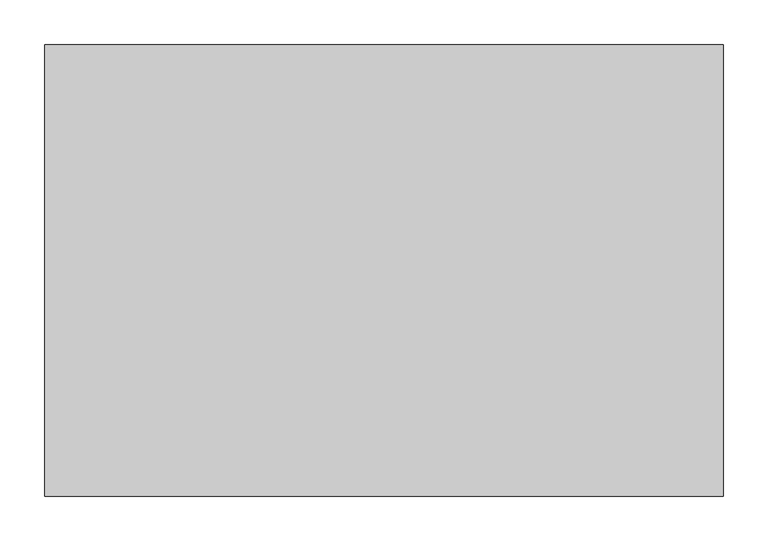
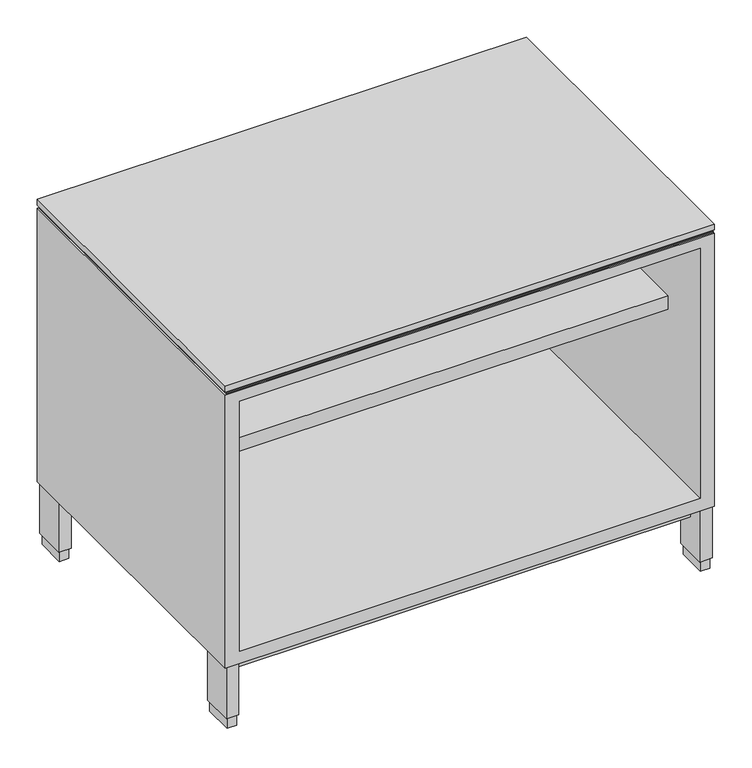
"""IFC4 building model written with IfcOpenShell, lengths in millimetres: furniture geometry."""

from ifc_helpers import new_model, si_unit, frame, origin, origin_with_axes, place, context, project, spatial, polyline, outline, extrude, faceted_brep, source, transform, mapped, element, save


def furniture_462d339f(model_context):
    return source(origin(), model_context, "Body", "SolidModel", [
        extrude(outline(polyline([(21.2979, -5.715), (21.2979, -52.197), (6.5659, -52.197), (6.5659, -5.715), (21.2979, -5.715)])), origin_with_axes(), (0.0, 0.0, 1.0), 17.399),
        extrude(outline(polyline([(755.4341, -5.715), (755.4341, -52.197), (740.7021, -52.197), (740.7021, -5.715), (755.4341, -5.715)])), origin_with_axes(), (0.0, 0.0, 1.0), 17.399),
        extrude(outline(polyline([(755.4341, -456.057), (755.4341, -502.539), (740.7021, -502.539), (740.7021, -456.057), (755.4341, -456.057)])), origin_with_axes(), (0.0, 0.0, 1.0), 17.399),
        extrude(outline(polyline([(21.2979, -456.057), (21.2979, -502.539), (6.5659, -502.539), (6.5659, -456.057), (21.2979, -456.057)])), origin_with_axes(), (0.0, 0.0, 1.0), 17.399),
        extrude(outline(polyline([(23.4569, -3.556), (23.4569, -54.356), (4.4069, -54.356), (4.4069, -3.556), (23.4569, -3.556)])), frame((0.0, 0.0, 17.399), z_axis=(0.0, 0.0, 1.0), x_axis=(1.0, 0.0, 0.0)), (0.0, 0.0, 1.0), 84.709),
        extrude(outline(polyline([(757.5931, -3.556), (757.5931, -54.356), (738.5431, -54.356), (738.5431, -3.556), (757.5931, -3.556)])), frame((0.0, 0.0, 17.399), z_axis=(0.0, 0.0, 1.0), x_axis=(1.0, 0.0, 0.0)), (0.0, 0.0, 1.0), 84.709),
        extrude(outline(polyline([(757.5931, -453.898), (757.5931, -504.698), (738.5431, -504.698), (738.5431, -453.898), (757.5931, -453.898)])), frame((0.0, 0.0, 17.399), z_axis=(0.0, 0.0, 1.0), x_axis=(1.0, 0.0, 0.0)), (0.0, 0.0, 1.0), 84.709),
        extrude(outline(polyline([(23.4569, -453.898), (23.4569, -504.698), (4.4069, -504.698), (4.4069, -453.898), (23.4569, -453.898)])), frame((0.0, 0.0, 17.399), z_axis=(0.0, 0.0, 1.0), x_axis=(1.0, 0.0, 0.0)), (0.0, 0.0, 1.0), 84.709),
        extrude(outline(polyline([(759.714, -504.444), (3.8735, -504.444), (3.8735, -2.3114), (759.714, -2.3114), (759.714, -504.444)])), frame((0.0, 0.0, 549.783), z_axis=(0.0, 0.0, 1.0), x_axis=(1.0, 0.0, 0.0)), (0.0, 0.0, 1.0), 1.905),
        extrude(outline(polyline([(760.4125, -506.349), (1.5875, -506.349), (1.5875, -1.524), (760.4125, -1.524), (760.4125, -506.349)])), frame((0.0, 0.0, 554.863), z_axis=(0.0, 0.0, 1.0), x_axis=(1.0, 0.0, 0.0)), (0.0, 0.0, 1.0), 9.525),
        extrude(outline(polyline([(738.1875, -419.2524), (23.8125, -419.2524), (23.8125, -23.749), (738.1875, -23.749), (738.1875, -419.2524)])), frame((0.0, 0.0, 380.111), z_axis=(0.0, 0.0, 1.0), x_axis=(1.0, 0.0, 0.0)), (0.0, 0.0, 1.0), 22.225),
        extrude(outline(polyline([(738.5431, -480.5537946), (23.4569, -480.5537946), (23.4569, -26.9983538), (738.5431, -26.9983538), (738.5431, -480.5537946)])), frame((0.0, 0.0, 76.708), z_axis=(0.0, 0.0, 1.0), x_axis=(1.0, 0.0, 0.0)), (0.0, 0.0, 1.0), 25.4),
        faceted_brep([(760.4125, -506.349, 549.783), (1.5875, -506.349, 549.783), (1.5875, -506.349, 102.108), (760.4125, -506.349, 102.108), (23.8125, -506.349, 532.3078), (738.1875, -506.349, 532.3078), (738.1875, -506.349, 122.7582), (23.8125, -506.349, 122.7582), (760.4125, -1.524, 549.783), (760.4125, -1.524, 102.108), (1.5875, -1.524, 102.108), (1.5875, -1.524, 549.783), (738.1875, -23.749, 532.3078), (23.8125, -23.749, 532.3078), (23.8125, -23.749, 122.7582), (738.1875, -23.749, 122.7582)], [[[0, 1, 2, 3], [4, 5, 6, 7]], [[8, 9, 10, 11]], [[1, 0, 8, 11]], [[2, 1, 11, 10]], [[3, 2, 10, 9]], [[0, 3, 9, 8]], [[12, 13, 14, 15]], [[13, 12, 5, 4]], [[14, 13, 4, 7]], [[15, 14, 7, 6]], [[12, 15, 6, 5]]]),
    ])


if __name__ == "__main__":
    model = new_model("IFC4")
    model_context = context("Model", 3, world=origin())
    ifc_project = project(units=[si_unit("LENGTHUNIT", "METRE", prefix="MILLI")], contexts=[model_context])
    site = spatial("IfcSite", under=ifc_project)
    building = spatial("IfcBuilding", under=site)
    placement = place(None, origin())
    furniture_shape = furniture_462d339f(model_context)
    element("IfcFurniture", 1, at=placement, inside=building, context=model_context, shape_type="MappedRepresentation", body=[
        mapped(furniture_shape, transform((0.0, 0.0, 0.0), x_axis=(1.0, 0.0, 0.0), y_axis=(0.0, 1.0, 0.0), z_axis=(0.0, 0.0, 1.0))),
    ])
    save(model, "model.ifc")
